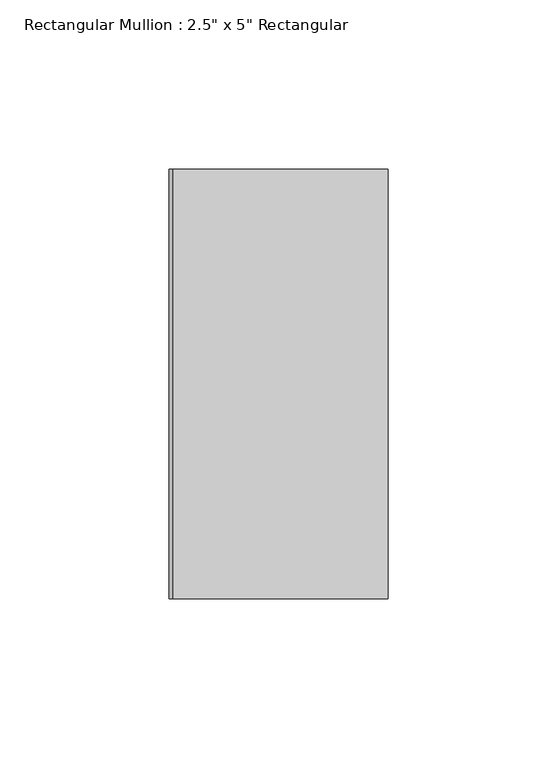
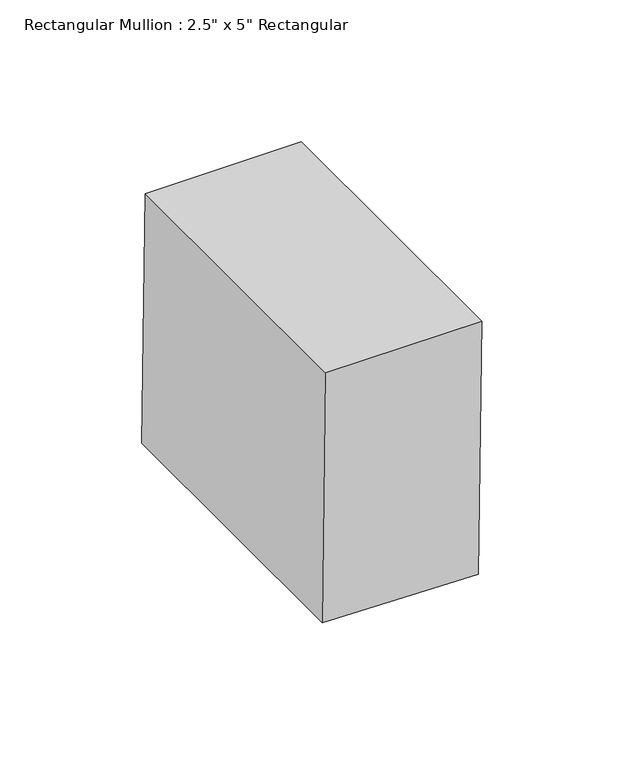
"""IFC4 building model written with IfcOpenShell, lengths in millimetres: member geometry."""

from ifc_helpers import new_model, si_unit, point, frame, frame_2d, origin, place, context, project, spatial, polyline, circle_curve, trimmed, segment, composite_curve, outline, extrude, source, transform, mapped, element, save


def member_c1e1e3bf(model_context):
    return source(origin(), model_context, "Body", "SweptSolid", [
        extrude(outline(composite_curve([segment(trimmed(circle_curve(frame_2d((0.0, -4572.0)), 4572.0), [point((-108.378083, -1.2847178))], [point((0.0, 0.0))], False, "CARTESIAN"), True, "CONTINUOUS"), segment(polyline([(0.0, 0.0), (0.0, -63.5)]), True, "CONTINUOUS"), segment(trimmed(circle_curve(frame_2d((0.0, -4572.0)), 4508.5), [point((0.0, -63.5))], [point((-106.8728318, -64.7668745))], True, "CARTESIAN"), True, "CONTINUOUS"), segment(polyline([(-106.8728318, -64.7668745), (-108.378083, -1.2847178)]), True, "CONTINUOUS")], self_intersect=False)), frame((0.0, -63.5, 0.0), z_axis=(0.0, 1.0, 0.0), x_axis=(0.0, 0.0, 1.0)), (0.0, 0.0, 1.0), 127.0),
    ])


if __name__ == "__main__":
    model = new_model("IFC4")
    model_context = context("Model", 3, world=origin())
    ifc_project = project(units=[si_unit("LENGTHUNIT", "METRE", prefix="MILLI")], contexts=[model_context])
    site = spatial("IfcSite", under=ifc_project)
    building = spatial("IfcBuilding", under=site)
    placement = place(None, origin())
    member_shape = member_c1e1e3bf(model_context)
    element("IfcMember", 1, ObjectType="Rectangular Mullion : 2.5\" x 5\" Rectangular", at=placement, inside=building, context=model_context, shape_type="MappedRepresentation", body=[
        mapped(member_shape, transform((0.0, 0.0, 0.0), x_axis=(1.0, 0.0, 0.0), y_axis=(0.0, 1.0, 0.0), z_axis=(0.0, 0.0, 1.0))),
    ])
    save(model, "model.ifc")
